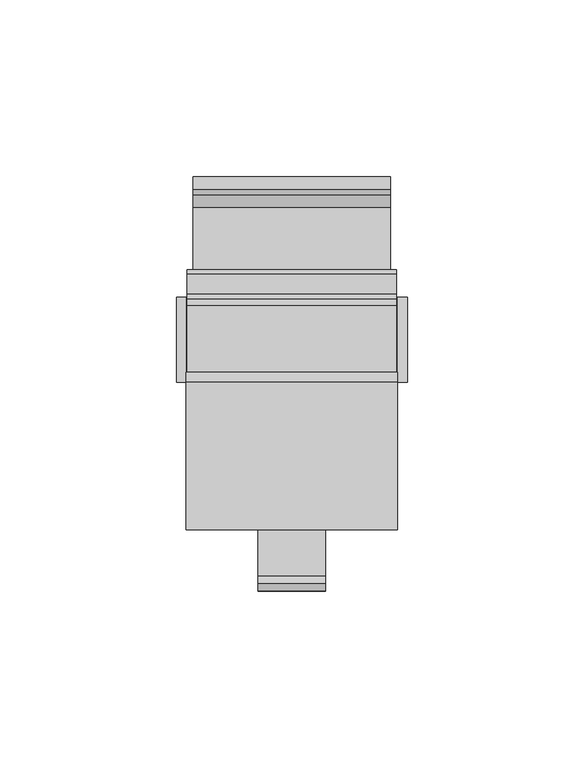
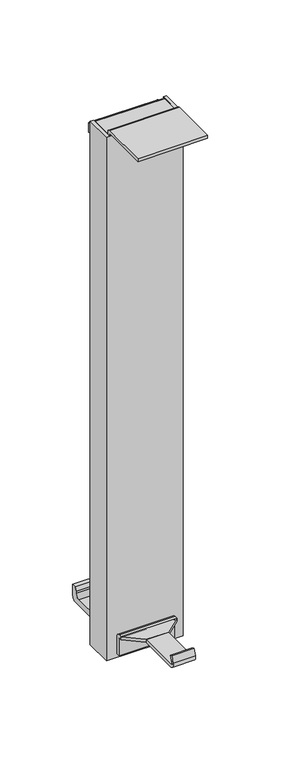
"""IFC4 building model written with IfcOpenShell, lengths in millimetres: furniture geometry."""

import ifcopenshell
import ifcopenshell.guid

model = None  # the IFC model being written
_history = None  # IfcOwnerHistory: only IFC2X3 demands one
_inside = {}  # id of a spatial element -> (the spatial element, [elements in it])
_under = {}  # id of a project, library or spatial element -> (it, [spatial elements below it])
_declared = {}  # id of a project -> (the project, [libraries it declares])
_typed = {}  # id of a type object -> (the type object, [elements of that type])
_made_of = {}  # id of a material, layer set ... -> (it, [elements and type objects made of it])


def new_model(schema):
    """Start an empty IFC model of exactly this schema.

    Asked for "IFC4X3", IfcOpenShell would pick the latest addendum, in which some entities
    have other attributes; the version numbers below select the first issue.
    IFC2X3 requires an IfcOwnerHistory on every rooted entity: one is made here for all.
    """
    global model, _history
    if schema == "IFC4X3":
        model = ifcopenshell.file(schema_version=(4, 3, 0, 0))
    else:
        model = ifcopenshell.file(schema=schema)
    _inside.clear()
    _under.clear()
    _declared.clear()
    _typed.clear()
    _made_of.clear()
    _history = None
    if model.schema == "IFC2X3":
        org = make("IfcOrganization", Name="unknown")
        user = make(
            "IfcPersonAndOrganization",
            ThePerson=make("IfcPerson", FamilyName="unknown"),
            TheOrganization=org,
        )
        app = make(
            "IfcApplication",
            ApplicationDeveloper=org,
            Version="unknown",
            ApplicationFullName="unknown",
            ApplicationIdentifier="unknown",
        )
        _history = make(
            "IfcOwnerHistory",
            OwningUser=user,
            OwningApplication=app,
            ChangeAction="ADDED",
            CreationDate=0,
        )
    return model


def make(cls, **values):
    """One entity of the class cls with the attributes given. An attribute that is None is left unset."""
    return model.create_entity(
        cls, **{name: value for name, value in values.items() if value is not None}
    )


def rooted(cls, **values):
    """An entity with a GlobalId (a new one), such as an element, a storey or a relation."""
    return make(cls, GlobalId=ifcopenshell.guid.new(), OwnerHistory=_history, **values)


def si_unit(unit_type, name, prefix=None):
    """IfcSIUnit, for example si_unit("LENGTHUNIT", "METRE", prefix="MILLI")."""
    return make("IfcSIUnit", UnitType=unit_type, Prefix=prefix, Name=name)


def assignment(units):
    """IfcUnitAssignment: the units of a project."""
    return None if units is None else make("IfcUnitAssignment", Units=units)


def point(xyz):
    """IfcCartesianPoint."""
    return None if xyz is None else make("IfcCartesianPoint", Coordinates=xyz)


def direction(xyz):
    """IfcDirection."""
    return None if xyz is None else make("IfcDirection", DirectionRatios=xyz)


def frame(location, z_axis=None, x_axis=None):
    """IfcAxis2Placement3D, a coordinate frame: its origin and axes. An axis left out is left unset."""
    return make(
        "IfcAxis2Placement3D",
        Location=point(location),
        Axis=direction(z_axis),
        RefDirection=direction(x_axis),
    )


def frame_2d(location, x_axis=None):
    """IfcAxis2Placement2D, a coordinate frame in the plane: its origin and x axis."""
    return make(
        "IfcAxis2Placement2D", Location=point(location), RefDirection=direction(x_axis)
    )


def origin():
    """The frame at (0, 0, 0) with its axes left unset."""
    return frame((0.0, 0.0, 0.0))


def place(relative_to, where):
    """IfcLocalPlacement: puts the frame where relative to a parent placement (None: the world)."""
    return make(
        "IfcLocalPlacement", PlacementRelTo=relative_to, RelativePlacement=where
    )


def context(
    kind, dimensions, precision=None, world=None, true_north=None, identifier=None
):
    """IfcGeometricRepresentationContext, for example the 3D "Model" context."""
    return make(
        "IfcGeometricRepresentationContext",
        ContextIdentifier=identifier,
        ContextType=kind,
        CoordinateSpaceDimension=dimensions,
        Precision=precision,
        WorldCoordinateSystem=world,
        TrueNorth=true_north,
    )


def project(units=None, contexts=None):
    """IfcProject with its units and contexts."""
    return rooted(
        "IfcProject",
        Name="project",
        RepresentationContexts=contexts,
        UnitsInContext=assignment(units),
    )


def spatial(cls, under=None, at=None, **own):
    """A site, building, storey or space (cls), placed at a placement, below another one or the project."""
    s = rooted(cls, ObjectPlacement=at, **own)
    if under is not None:
        _under.setdefault(under.id(), (under, []))[1].append(s)
    return s


def polyline(points):
    """IfcPolyline through the points."""
    return make("IfcPolyline", Points=[point(p) for p in points])


def circle_curve(where, radius):
    """IfcCircle in the frame where."""
    return make("IfcCircle", Position=where, Radius=radius)


def trimmed(basis, trim1, trim2, sense, master):
    """IfcTrimmedCurve: the piece of a basis curve between two trims."""
    return make(
        "IfcTrimmedCurve",
        BasisCurve=basis,
        Trim1=trim1,
        Trim2=trim2,
        SenseAgreement=sense,
        MasterRepresentation=master,
    )


def segment(curve, same_sense, transition):
    """IfcCompositeCurveSegment."""
    return make(
        "IfcCompositeCurveSegment",
        Transition=transition,
        SameSense=same_sense,
        ParentCurve=curve,
    )


def composite_curve(segments, self_intersect=None):
    """IfcCompositeCurve: segments joined end to end."""
    return make("IfcCompositeCurve", Segments=segments, SelfIntersect=self_intersect)


def outline(outer, holes=None, kind="AREA"):
    """IfcArbitraryClosedProfileDef: a profile drawn as a closed curve; with holes, ...WithVoids."""
    if holes is None:
        return make("IfcArbitraryClosedProfileDef", ProfileType=kind, OuterCurve=outer)
    return make(
        "IfcArbitraryProfileDefWithVoids",
        ProfileType=kind,
        OuterCurve=outer,
        InnerCurves=holes,
    )


def extrude(swept, where, along, depth):
    """IfcExtrudedAreaSolid: the profile swept, set in the frame where, extruded along a direction by depth."""
    return make(
        "IfcExtrudedAreaSolid",
        SweptArea=swept,
        Position=where,
        ExtrudedDirection=direction(along),
        Depth=depth,
    )


def shape(context_of_items, identifier, shape_type, items):
    """IfcShapeRepresentation: the items that make up one representation, for example the "Body"."""
    return make(
        "IfcShapeRepresentation",
        ContextOfItems=context_of_items,
        RepresentationIdentifier=identifier,
        RepresentationType=shape_type,
        Items=items,
    )


def source(mapping_origin, context_of_items, identifier, shape_type, items):
    """IfcRepresentationMap: a shape defined once, which mapped items show again and again."""
    return make(
        "IfcRepresentationMap",
        MappingOrigin=mapping_origin,
        MappedRepresentation=shape(context_of_items, identifier, shape_type, items),
    )


def transform(
    local_origin,
    x_axis=None,
    y_axis=None,
    z_axis=None,
    scale=None,
    scale2=None,
    scale3=None,
    uniform=True,
):
    """IfcCartesianTransformationOperator3D, or its non-uniform kind. x_axis, y_axis, z_axis: its Axis1, 2, 3."""
    if uniform:
        return make(
            "IfcCartesianTransformationOperator3D",
            Axis1=direction(x_axis),
            Axis2=direction(y_axis),
            LocalOrigin=point(local_origin),
            Scale=scale,
            Axis3=direction(z_axis),
        )
    return make(
        "IfcCartesianTransformationOperator3DnonUniform",
        Axis1=direction(x_axis),
        Axis2=direction(y_axis),
        LocalOrigin=point(local_origin),
        Scale=scale,
        Axis3=direction(z_axis),
        Scale2=scale2,
        Scale3=scale3,
    )


def mapped(mapping_source, mapping_target):
    """IfcMappedItem: shows the shape of a source again, moved by a transform."""
    return make(
        "IfcMappedItem", MappingSource=mapping_source, MappingTarget=mapping_target
    )


def made_of(thing, what):
    """Note that an element or type object is made of a material, layer set ...; save() writes the relation."""
    if what is not None:
        _made_of.setdefault(what.id(), (what, []))[1].append(thing)
    return thing


def element(
    cls,
    number,
    at=None,
    inside=None,
    cuts=None,
    type_object=None,
    material=None,
    context=None,
    identifier="Body",
    shape_type=None,
    held_by="IfcProductDefinitionShape",
    body=None,
    shapes=None,
    **own,
):
    """One element of the class cls, such as IfcWall. Its Tag is "e" and its number.

    at: its placement. inside: the storey or other place that contains it. cuts: it is an
    opening in that element (IfcRelVoidsElement). A single representation is given by context,
    identifier, shape_type and body (its items); several are given by shapes. held_by: the class
    of the entity that holds the representations. save() writes the other relations.
    """
    e = rooted(cls, Tag="e%d" % number, ObjectPlacement=at, **own)
    if body is not None:
        shapes = [shape(context, identifier, shape_type, body)]
    if shapes is not None:
        e.Representation = make(held_by, Representations=shapes)
    if inside is not None:
        _inside.setdefault(inside.id(), (inside, []))[1].append(e)
    if cuts is not None:
        rooted(
            "IfcRelVoidsElement", RelatingBuildingElement=cuts, RelatedOpeningElement=e
        )
    if type_object is not None:
        _typed.setdefault(type_object.id(), (type_object, []))[1].append(e)
    return made_of(e, material)


def aggregate(whole, parts):
    """IfcRelAggregates: a whole, such as a stair, and the parts it consists of."""
    return rooted("IfcRelAggregates", RelatingObject=whole, RelatedObjects=parts)


def save(model, path):
    """Write the relations noted so far, then the file.

    IfcRelAggregates (storeys below a building ...), IfcRelContainedInSpatialStructure (elements
    in a storey), IfcRelDefinesByType, IfcRelAssociatesMaterial and IfcRelDeclares: one each for
    every whole, place, type object, material and project.
    """
    for whole, parts in _under.values():
        aggregate(whole, parts)
    for where, things in _inside.values():
        rooted(
            "IfcRelContainedInSpatialStructure",
            RelatedElements=things,
            RelatingStructure=where,
        )
    for kind, things in _typed.values():
        rooted("IfcRelDefinesByType", RelatedObjects=things, RelatingType=kind)
    for what, things in _made_of.values():
        rooted("IfcRelAssociatesMaterial", RelatedObjects=things, RelatingMaterial=what)
    for by, libraries in _declared.values():
        rooted("IfcRelDeclares", RelatingContext=by, RelatedDefinitions=libraries)
    model.write(path)


def furniture_02012466(model_context):
    return source(origin(), model_context, "Body", "SweptSolid", [
        extrude(outline(polyline([(111.2069657, -32.0109117), (96.9194657, -44.3045132), (77.8694657, -44.3045132), (63.5819611, -32.0109117), (111.2069657, -32.0109117)])), frame((0.0, 0.0, 95.3473324), z_axis=(0.0, 0.0, 1.0), x_axis=(1.0, 0.0, 0.0)), (0.0, 0.0, 1.0), 2.7787639),
        extrude(outline(composite_curve([segment(polyline([(-81.0834906, 98.1260962), (-44.3045132, 98.1260962), (-44.3045132, 95.3473324), (-80.5399543, 95.3473324)]), True, "CONTINUOUS"), segment(trimmed(circle_curve(frame_2d((-80.5399543, 99.3708258)), 4.0234935), [point((-80.5399543, 95.3473324))], [point((-84.3208017, 100.7469409))], False, "CARTESIAN"), True, "CONTINUOUS"), segment(polyline([(-84.3208017, 100.7469409), (-82.2925969, 106.3193916), (-80.3453685, 105.610659), (-82.3902612, 99.9923575)]), True, "CONTINUOUS"), segment(trimmed(circle_curve(frame_2d((-81.0834906, 99.5167323)), 1.3906361), [point((-82.3902612, 99.9923575))], [point((-81.0834906, 98.1260962))], True, "CARTESIAN"), True, "CONTINUOUS")], self_intersect=False)), frame((77.8694657, 0.0, 0.0), z_axis=(1.0, 0.0, 0.0), x_axis=(0.0, 1.0, 0.0)), (0.0, 0.0, 1.0), 19.05),
        extrude(outline(composite_curve([segment(polyline([(-32.0109117, 98.1260962), (-29.3860477, 98.1260962)]), True, "CONTINUOUS"), segment(trimmed(circle_curve(frame_2d((-29.3860477, 94.4009596)), 3.7251367), [point((-29.3860477, 98.1260962))], [point((-25.660911, 94.4009596))], False, "CARTESIAN"), True, "CONTINUOUS"), segment(polyline([(-25.660911, 94.4009596), (-25.660911, 78.5934949), (-28.4396726, 78.5934949), (-28.4396726, 93.5138113)]), True, "CONTINUOUS"), segment(trimmed(circle_curve(frame_2d((-30.2731936, 93.5138113)), 1.833521), [point((-28.4396726, 93.5138113))], [point((-30.2731936, 95.3473324))], True, "CARTESIAN"), True, "CONTINUOUS"), segment(polyline([(-30.2731936, 95.3473324), (-32.0109117, 95.3473324), (-32.0109117, 98.1260962)]), True, "CONTINUOUS")], self_intersect=False)), frame((63.5819611, 0.0, 0.0), z_axis=(1.0, 0.0, 0.0), x_axis=(0.0, 1.0, 0.0)), (0.0, 0.0, 1.0), 47.6250045),
        extrude(outline(composite_curve([segment(trimmed(circle_curve(frame_2d((-25.4680919, 551.6708035)), 2.7891392), [point((-25.4680919, 554.4599427))], [point((-22.6789527, 551.6708035))], False, "CARTESIAN"), True, "CONTINUOUS"), segment(polyline([(-22.6789527, 551.6708035), (-22.6789527, 549.3877959), (-25.4577121, 549.3877959), (-25.4577121, 550.7576398)]), True, "CONTINUOUS"), segment(trimmed(circle_curve(frame_2d((-26.3812602, 550.7576398)), 0.9235481), [point((-25.4577121, 550.7576398))], [point((-26.3812602, 551.6811879))], True, "CARTESIAN"), True, "CONTINUOUS"), segment(polyline([(-26.3812602, 551.6811879), (-67.1289512, 551.6811879), (-67.1289512, 554.4599427), (-25.4680919, 554.4599427)]), True, "CONTINUOUS")], self_intersect=False)), frame((57.4707244, 0.0, 0.0), z_axis=(1.0, 0.0, 0.0), x_axis=(0.0, 1.0, 0.0)), (0.0, 0.0, 1.0), 59.847478),
        extrude(outline(composite_curve([segment(polyline([(-22.4812336, 533.7668017), (-22.4812336, 549.3877959), (-3.5993794, 549.3877959)]), True, "CONTINUOUS"), segment(trimmed(circle_curve(frame_2d((-3.5993794, 547.6702507)), 1.7175452), [point((-3.5993794, 549.3877959))], [point((-1.8818342, 547.6702507))], False, "CARTESIAN"), True, "CONTINUOUS"), segment(polyline([(-1.8818342, 547.6702507), (-1.8818342, 544.4887502)]), True, "CONTINUOUS"), segment(trimmed(circle_curve(frame_2d((-0.3292752, 544.4887502)), 1.552559), [point((-1.8818342, 544.4887502))], [point((-0.3292752, 542.9361912))], True, "CARTESIAN"), True, "CONTINUOUS"), segment(polyline([(-0.3292752, 542.9361912), (5.2539469, 542.9361912)]), True, "CONTINUOUS"), segment(trimmed(circle_curve(frame_2d((5.2539469, 541.7661723)), 1.1700189), [point((5.2539469, 542.9361912))], [point((6.4239657, 541.7661723))], False, "CARTESIAN"), True, "CONTINUOUS"), segment(polyline([(6.4239657, 541.7661723), (6.4239657, 533.7668017), (4.2649658, 533.7668017), (1.6106557, 538.3641955), (-4.256724, 538.3641955), (-6.911034, 533.7668017), (-22.4812336, 533.7668017)]), True, "CONTINUOUS")], self_intersect=False)), frame((57.7399622, 0.0, 0.0), z_axis=(1.0, 0.0, 0.0), x_axis=(0.0, 1.0, 0.0)), (0.0, 0.0, 1.0), 59.3089979),
        extrude(outline(composite_curve([segment(polyline([(-22.4807385, 492.0157891), (-22.4807385, 531.7159822), (-6.3009383, 531.7159822), (-3.5577384, 536.4657831), (0.3792617, 536.4657831), (0.3792617, 523.7657861), (-15.6752011, 507.7113193)]), True, "CONTINUOUS"), segment(trimmed(circle_curve(frame_2d((-10.9574947, 502.9936141)), 6.6718434), [point((-15.6752011, 507.7113193))], [point((-17.6293382, 502.9936141))], True, "CARTESIAN"), True, "CONTINUOUS"), segment(polyline([(-17.6293382, 502.9936141), (-17.6293382, 492.0157891), (-22.4807385, 492.0157891)]), True, "CONTINUOUS")], self_intersect=False)), frame((61.9944627, 0.0, 0.0), z_axis=(1.0, 0.0, 0.0), x_axis=(0.0, 1.0, 0.0)), (0.0, 0.0, 1.0), 50.799997),
        extrude(outline(composite_curve([segment(polyline([(-22.4807385, 147.4181547), (-17.6293382, 147.4181547), (-17.6293382, 136.4403297)]), True, "CONTINUOUS"), segment(trimmed(circle_curve(frame_2d((-10.9574947, 136.4403297)), 6.6718434), [point((-17.6293382, 136.4403297))], [point((-15.6752011, 131.7226246))], True, "CARTESIAN"), True, "CONTINUOUS"), segment(polyline([(-15.6752011, 131.7226246), (0.3792617, 115.6681578), (0.3792617, 102.9681608), (-3.5577384, 102.9681608), (-6.3009383, 107.7179617), (-22.4807385, 107.7179617), (-22.4807385, 147.4181547)]), True, "CONTINUOUS")], self_intersect=False)), frame((61.9944627, 0.0, 0.0), z_axis=(1.0, 0.0, 0.0), x_axis=(0.0, 1.0, 0.0)), (0.0, 0.0, 1.0), 50.799997),
        extrude(outline(composite_curve([segment(polyline([(-22.4799755, 107.5536004), (-6.3509767, 107.5536004), (-1.4676325, 99.0953957), (24.1216436, 99.0953957)]), True, "CONTINUOUS"), segment(trimmed(circle_curve(frame_2d((24.1216436, 102.6587765)), 3.5633808), [point((24.1216436, 99.0953957))], [point((27.6850243, 102.6587765))], True, "CARTESIAN"), True, "CONTINUOUS"), segment(polyline([(27.6850243, 102.6587765), (27.6850243, 104.3785943), (29.2090229, 107.5536004), (32.765024, 107.5536004), (32.765024, 97.3322211)]), True, "CONTINUOUS"), segment(trimmed(circle_curve(frame_2d((29.2703983, 97.3322211)), 3.4946258), [point((32.765024, 97.3322211))], [point((29.2703983, 93.8375953))], False, "CARTESIAN"), True, "CONTINUOUS"), segment(polyline([(29.2703983, 93.8375953), (0.2784235, 93.8375953), (0.2784235, 88.5797949), (-3.2775766, 88.5797949), (-3.2775766, 93.8375953), (-16.2315765, 93.8375953), (-16.2315765, 88.5797949), (-22.4799755, 88.5797949), (-22.4799755, 90.1037934), (-19.7875776, 90.1037934), (-19.7875776, 106.0295928), (-22.4799755, 106.0295928), (-22.4799755, 107.5536004)]), True, "CONTINUOUS")], self_intersect=False)), frame((59.4544605, 0.0, 0.0), z_axis=(1.0, 0.0, 0.0), x_axis=(0.0, 1.0, 0.0)), (0.0, 0.0, 1.0), 55.8800018),
        extrude(outline(polyline([(54.6919605, -1.3277121), (57.4707244, -1.3277121), (57.4707244, -22.6789527), (117.3182024, -22.6789527), (117.3182024, -1.3277121), (120.0969663, -1.3277121), (120.0969663, -25.4577121), (54.6919605, -25.4577121), (54.6919605, -1.3277121)])), frame((0.0, 0.0, 75.2356148), z_axis=(0.0, 0.0, 1.0), x_axis=(1.0, 0.0, 0.0)), (0.0, 0.0, 1.0), 474.1521811),
    ])


if __name__ == "__main__":
    model = new_model("IFC4")
    model_context = context("Model", 3, world=origin())
    ifc_project = project(units=[si_unit("LENGTHUNIT", "METRE", prefix="MILLI")], contexts=[model_context])
    site = spatial("IfcSite", under=ifc_project)
    building = spatial("IfcBuilding", under=site)
    placement = place(None, origin())
    furniture_shape = furniture_02012466(model_context)
    element("IfcFurniture", 1, at=placement, inside=building, context=model_context, shape_type="MappedRepresentation", body=[
        mapped(furniture_shape, transform((0.0, 0.0, 0.0), x_axis=(1.0, 0.0, 0.0), y_axis=(0.0, 1.0, 0.0), z_axis=(0.0, 0.0, 1.0))),
    ])
    save(model, "model.ifc")
